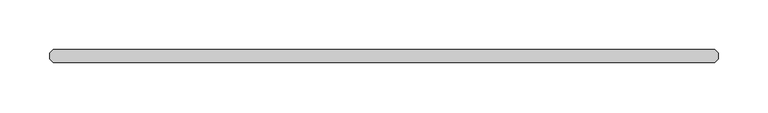
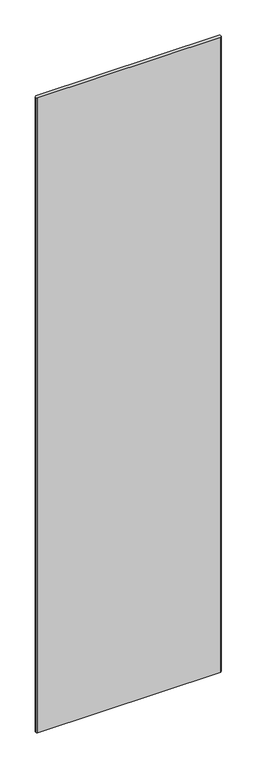
"""IFC4 building model written with IfcOpenShell, lengths in millimetres: plate geometry."""

from ifc_helpers import new_model, si_unit, origin, origin_with_axes, place, context, project, spatial, polyline, outline, extrude, source, transform, mapped, element, save


def plate_4947e96e(model_context):
    return source(origin(), model_context, "Body", "SweptSolid", [
        extrude(outline(polyline([(348.059375, -6.35), (-313.928125, -6.35), (-317.103125, -3.175), (-317.103125, 3.175), (-313.928125, 6.35), (348.059375, 6.35), (351.234375, 3.175), (351.234375, -3.175), (348.059375, -6.35)])), origin_with_axes(), (0.0, 0.0, 1.0), 2427.1914267),
    ])


if __name__ == "__main__":
    model = new_model("IFC4")
    model_context = context("Model", 3, world=origin())
    ifc_project = project(units=[si_unit("LENGTHUNIT", "METRE", prefix="MILLI")], contexts=[model_context])
    site = spatial("IfcSite", under=ifc_project)
    building = spatial("IfcBuilding", under=site)
    placement = place(None, origin())
    plate_shape = plate_4947e96e(model_context)
    element("IfcPlate", 1, at=placement, inside=building, context=model_context, shape_type="MappedRepresentation", body=[
        mapped(plate_shape, transform((0.0, 0.0, 0.0), x_axis=(1.0, 0.0, 0.0), y_axis=(0.0, 1.0, 0.0), z_axis=(0.0, 0.0, 1.0))),
    ])
    save(model, "model.ifc")
